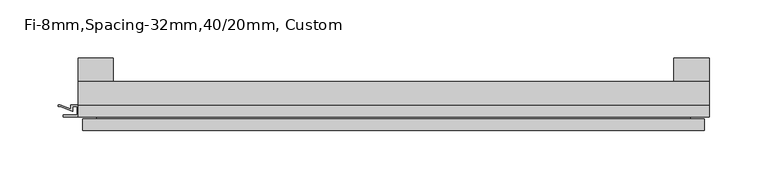
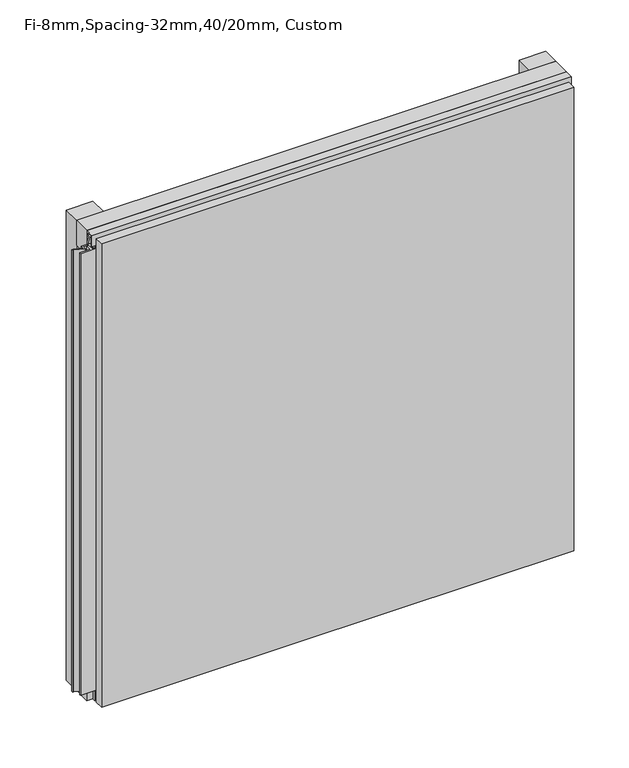
"""IFC4 building model written with IfcOpenShell, lengths in millimetres: plate geometry, Fi-8mm,Spacing-32mm,40/20mm, Custom."""

from ifc_helpers import new_model, si_unit, frame, origin, origin_with_axes, place, context, project, spatial, polyline, outline, extrude, faceted_brep, source, transform, mapped, element, save


def fi_8mm_spacing_32mm_40_20mm_custom_2996fa93(model_context):
    return source(origin(), model_context, "Body", "SolidModel", [
        extrude(outline(polyline([(-270.0, -40.0), (-270.0, -20.0), (270.0, -20.0), (270.0, -40.0), (-270.0, -40.0)])), frame((0.0, 0.0, 530.0), z_axis=(0.0, 0.0, 1.0), x_axis=(1.0, 0.0, 0.0)), (0.0, 0.0, 1.0), 30.0),
        extrude(outline(polyline([(-270.0, -40.0), (-270.0, -20.0), (270.0, -20.0), (270.0, -40.0), (-270.0, -40.0)])), origin_with_axes(), (0.0, 0.0, 1.0), 30.0),
        extrude(outline(polyline([(240.0, 0.0), (270.0, 0.0), (270.0, -20.0), (240.0, -20.0), (240.0, 0.0)])), origin_with_axes(), (0.0, 0.0, 1.0), 560.0),
        extrude(outline(polyline([(-240.0, 0.0), (-240.0, -20.0), (-270.0, -20.0), (-270.0, 0.0), (-240.0, 0.0)])), origin_with_axes(), (0.0, 0.0, 1.0), 560.0),
        extrude(outline(polyline([(-40.0, 553.700916), (-43.5, 553.700916), (-40.0553267, 544.6441401), (-40.0553267, 537.008452), (-41.4553267, 537.008452), (-41.4553267, 544.4296606), (-45.5140545, 555.100916), (-41.4, 555.100916), (-41.4, 558.5843193), (-48.7, 558.5843193), (-48.7, 546.5843193), (-50.1, 546.5843193), (-50.1, 560.0), (-40.0, 560.0), (-40.0, 553.700916)])), frame((-270.0, 0.0, 0.0), z_axis=(1.0, 0.0, 0.0), x_axis=(0.0, 1.0, 0.0)), (0.0, 0.0, 1.0), 540.0),
        extrude(outline(polyline([(263.700916, -40.0), (270.0, -40.0), (270.0, -50.1), (256.5843193, -50.1), (256.5843193, -48.7), (268.5843193, -48.7), (268.5843193, -41.4), (265.100916, -41.4), (265.100916, -45.5140545), (254.4296606, -41.4553267), (247.008452, -41.4553267), (247.008452, -40.0553267), (254.6441401, -40.0553267), (263.700916, -43.5), (263.700916, -40.0)])), frame((0.0, 0.0, 16.9558599), z_axis=(0.0, 0.0, 1.0), x_axis=(1.0, 0.0, 0.0)), (0.0, 0.0, 1.0), 526.0882802),
        extrude(outline(polyline([(-270.899084, -48.7), (-270.899084, -41.4), (-274.899084, -41.4), (-274.899084, -45.5140545), (-285.5703394, -41.4553267), (-286.9558599, -41.4553267), (-286.9558599, -40.0553267), (-285.3558599, -40.0553267), (-276.299084, -43.5), (-276.299084, -40.0), (-263.700916, -40.0), (-263.700916, -43.5), (-254.6441401, -40.0553267), (-253.0441401, -40.0553267), (-253.0441401, -41.4553267), (-254.4296606, -41.4553267), (-265.100916, -45.5140545), (-265.100916, -41.4), (-269.100916, -41.4), (-269.100916, -48.7), (-257.100916, -48.7), (-257.100916, -50.1), (-282.899084, -50.1), (-282.899084, -48.7), (-270.899084, -48.7)])), frame((0.0, 0.0, 16.9558599), z_axis=(0.0, 0.0, 1.0), x_axis=(1.0, 0.0, 0.0)), (0.0, 0.0, 1.0), 526.0882802),
        faceted_brep([(266.0, -45.9, 556.0), (-266.0, -45.9, 556.0), (-266.0, -48.7, 556.0), (266.0, -48.7, 556.0), (-266.0, -61.9, 556.0), (266.0, -61.9, 556.0), (266.0, -51.9, 556.0), (-266.0, -51.9, 556.0), (-266.0, -45.9, 4.0), (266.0, -45.9, 4.0), (266.0, -48.7, 4.0), (-266.0, -48.7, 4.0), (266.0, -61.9, 4.0), (-266.0, -61.9, 4.0), (-266.0, -51.9, 4.0), (266.0, -51.9, 4.0), (254.0, -51.9, 544.0), (254.0, -51.9, 16.0), (254.0, -48.7, 16.0), (254.0, -48.7, 544.0), (-254.0, -51.9, 16.0), (-254.0, -48.7, 16.0), (-254.0, -51.9, 544.0), (-254.0, -48.7, 544.0)], [[[0, 1, 2, 3]], [[4, 5, 6, 7]], [[8, 9, 10, 11]], [[12, 13, 14, 15]], [[1, 0, 9, 8]], [[1, 8, 11, 2]], [[13, 4, 7, 14]], [[5, 4, 13, 12]], [[9, 0, 3, 10]], [[5, 12, 15, 6]], [[16, 17, 18, 19]], [[18, 17, 20, 21]], [[21, 20, 22, 23]], [[16, 19, 23, 22]], [[7, 6, 15, 14], [17, 16, 22, 20]], [[3, 2, 11, 10], [19, 18, 21, 23]]]),
    ])


if __name__ == "__main__":
    model = new_model("IFC4")
    model_context = context("Model", 3, world=origin())
    ifc_project = project(units=[si_unit("LENGTHUNIT", "METRE", prefix="MILLI")], contexts=[model_context])
    site = spatial("IfcSite", under=ifc_project)
    building = spatial("IfcBuilding", under=site)
    placement = place(None, origin())
    fi_8mm_spacing_32mm_40_20mm_custom_shape = fi_8mm_spacing_32mm_40_20mm_custom_2996fa93(model_context)
    element("IfcPlate", 1, ObjectType="Fi-8mm,Spacing-32mm,40/20mm, Custom", at=placement, inside=building, context=model_context, shape_type="MappedRepresentation", body=[
        mapped(fi_8mm_spacing_32mm_40_20mm_custom_shape, transform((0.0, 0.0, 0.0), x_axis=(1.0, 0.0, 0.0), y_axis=(0.0, 1.0, 0.0), z_axis=(0.0, 0.0, 1.0))),
    ])
    save(model, "model.ifc")
